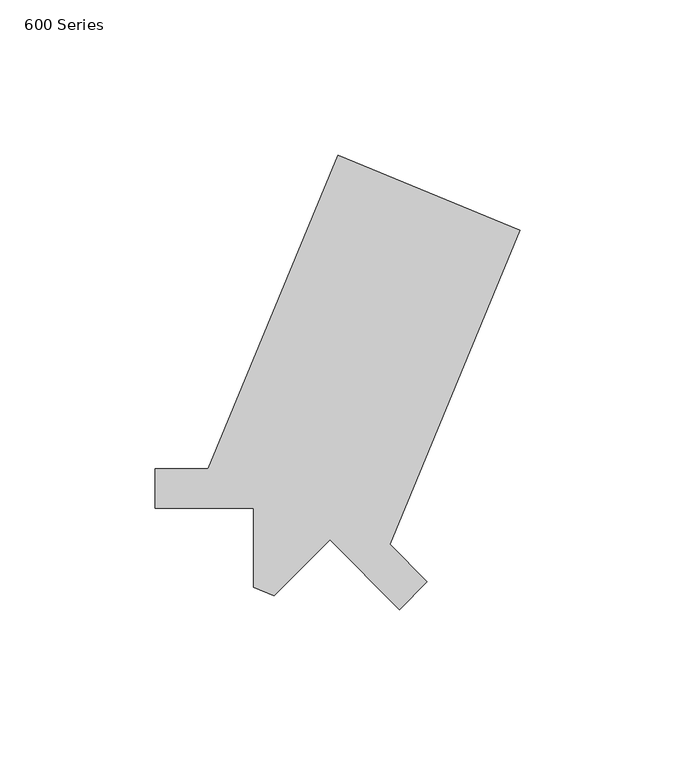
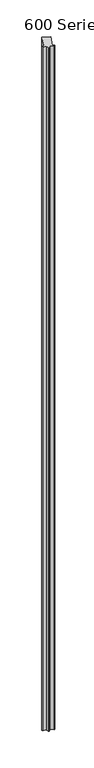
"""IFC4 building model written with IfcOpenShell, lengths in millimetres: proxy geometry, 600 Series."""

from ifc_helpers import new_model, si_unit, origin, origin_with_axes, place, context, project, spatial, polyline, outline, extrude, source, transform, mapped, element, save


def proxy_600_series_e4aa1b0e(model_context):
    return source(origin(), model_context, "Body", "SweptSolid", [
        extrude(outline(polyline([(-9.1825306, 12.7), (-40.9325306, 12.7), (-40.9325306, 25.4), (-23.8449279, 25.4), (18.0732586, 126.5994543), (76.7396089, 102.2990563), (34.8214224, 1.099602), (46.9041822, -10.9831577), (37.9239261, -19.9634138), (15.4732858, 2.4872265), (-2.4872265, -15.4732858), (-9.1825306, -12.7), (-9.1825306, 12.7)])), origin_with_axes(), (0.0, 0.0, 1.0), 6096.0),
    ])


if __name__ == "__main__":
    model = new_model("IFC4")
    model_context = context("Model", 3, world=origin())
    ifc_project = project(units=[si_unit("LENGTHUNIT", "METRE", prefix="MILLI")], contexts=[model_context])
    site = spatial("IfcSite", under=ifc_project)
    building = spatial("IfcBuilding", under=site)
    placement = place(None, origin())
    proxy_600_series_shape = proxy_600_series_e4aa1b0e(model_context)
    element("IfcBuildingElementProxy", 1, Name="600 Series", ObjectType="600 Series", at=placement, inside=building, context=model_context, shape_type="MappedRepresentation", body=[
        mapped(proxy_600_series_shape, transform((0.0, 0.0, 0.0), x_axis=(1.0, 0.0, 0.0), y_axis=(0.0, 1.0, 0.0), z_axis=(0.0, 0.0, 1.0))),
    ])
    save(model, "model.ifc")
